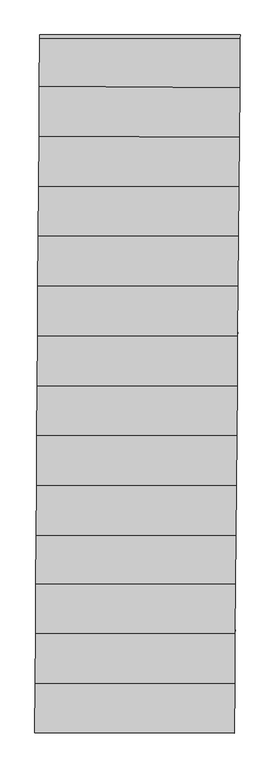
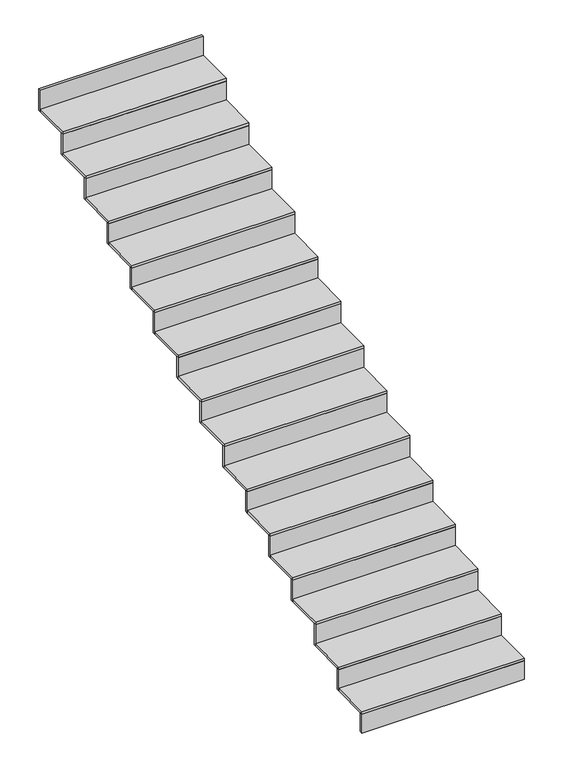
"""IFC4 building model written with IfcOpenShell, lengths in millimetres: stair flight geometry."""

from ifc_helpers import new_model, si_unit, frame, origin, place, context, project, spatial, polyline, outline, extrude, source, transform, mapped, element, save


def stair_flight_e6d34974(model_context):
    return source(origin(), model_context, "Body", "SweptSolid", [
        extrude(outline(polyline([(-113826.5930515, 62889.1022043), (-112624.4548151, 62884.5676774), (-112626.9361486, 62588.510136), (-113828.6643308, 62589.1352331), (-113826.5930515, 62889.1022043)])), frame((0.0, 0.0, -2348.9802587), z_axis=(0.0, 0.0, 1.0), x_axis=(1.0, 0.0, 0.0)), (0.0, 0.0, 1.0), 20.0),
        extrude(outline(polyline([(-112626.7685243, 62608.5100515), (-112626.9361486, 62588.510136), (-113828.6643308, 62589.1352331), (-113828.5262308, 62609.1351639), (-112626.7685243, 62608.5100515)])), frame((0.0, 0.0, -2496.5), z_axis=(0.0, 0.0, 1.0), x_axis=(1.0, 0.0, 0.0)), (0.0, 0.0, 1.0), 147.5197413),
        extrude(outline(polyline([(-112624.2871941, 62904.5671875), (-112624.4548151, 62884.5676774), (-113826.5930515, 62889.1022043), (-113826.4549536, 62909.1018257), (-112624.2871941, 62904.5671875)])), frame((0.0, 0.0, -2348.9802587), z_axis=(0.0, 0.0, 1.0), x_axis=(1.0, 0.0, 0.0)), (0.0, 0.0, 1.0), 167.5197413),
        extrude(outline(polyline([(-113824.5220632, 63189.0270224), (-112621.9030639, 63189.0270224), (-112624.4548151, 62884.5676774), (-113826.5930515, 62889.1022043), (-113824.5220632, 63189.0270224)])), frame((0.0, 0.0, -2181.4605175), z_axis=(0.0, 0.0, 1.0), x_axis=(1.0, 0.0, 0.0)), (0.0, 0.0, 1.0), 20.0),
        extrude(outline(polyline([(-112621.7354389, 63209.0270224), (-112621.9030639, 63189.0270224), (-113824.5220632, 63189.0270224), (-113824.3839627, 63209.0270224), (-112621.7354389, 63209.0270224)])), frame((0.0, 0.0, -2181.4605175), z_axis=(0.0, 0.0, 1.0), x_axis=(1.0, 0.0, 0.0)), (0.0, 0.0, 1.0), 167.5197413),
        extrude(outline(polyline([(-113822.4606962, 63487.5584762), (-112619.4009959, 63487.5584762), (-112621.9030639, 63189.0270224), (-113824.5220632, 63189.0270224), (-113822.4606962, 63487.5584762)])), frame((0.0, 0.0, -2013.9407762), z_axis=(0.0, 0.0, 1.0), x_axis=(1.0, 0.0, 0.0)), (0.0, 0.0, 1.0), 20.0),
        extrude(outline(polyline([(-112619.2333708, 63507.5584762), (-112619.4009959, 63487.5584762), (-113822.4606962, 63487.5584762), (-113822.3225957, 63507.5584762), (-112619.2333708, 63507.5584762)])), frame((0.0, 0.0, -2013.9407762), z_axis=(0.0, 0.0, 1.0), x_axis=(1.0, 0.0, 0.0)), (0.0, 0.0, 1.0), 167.5197413),
        extrude(outline(polyline([(-113820.4490375, 63778.8910672), (-112616.9592634, 63778.8910672), (-112619.4009959, 63487.5584762), (-113822.4606962, 63487.5584762), (-113820.4490375, 63778.8910672)])), frame((0.0, 0.0, -1846.421035), z_axis=(0.0, 0.0, 1.0), x_axis=(1.0, 0.0, 0.0)), (0.0, 0.0, 1.0), 20.0),
        extrude(outline(polyline([(-112616.7916383, 63798.8910672), (-112616.9592634, 63778.8910672), (-113820.4490375, 63778.8910672), (-113820.310937, 63798.8910672), (-112616.7916383, 63798.8910672)])), frame((0.0, 0.0, -1846.421035), z_axis=(0.0, 0.0, 1.0), x_axis=(1.0, 0.0, 0.0)), (0.0, 0.0, 1.0), 167.5197413),
        extrude(outline(polyline([(-113818.3775301, 64078.8910672), (-112614.4448871, 64078.8910672), (-112616.9592634, 63778.8910672), (-113820.4490375, 63778.8910672), (-113818.3775301, 64078.8910672)])), frame((0.0, 0.0, -1678.9012937), z_axis=(0.0, 0.0, 1.0), x_axis=(1.0, 0.0, 0.0)), (0.0, 0.0, 1.0), 20.0),
        extrude(outline(polyline([(-112614.277262, 64098.8910672), (-112614.4448871, 64078.8910672), (-113818.3775301, 64078.8910672), (-113818.2394296, 64098.8910672), (-112614.277262, 64098.8910672)])), frame((0.0, 0.0, -1678.9012937), z_axis=(0.0, 0.0, 1.0), x_axis=(1.0, 0.0, 0.0)), (0.0, 0.0, 1.0), 167.5197413),
        extrude(outline(polyline([(-113816.3060227, 64378.8910672), (-112611.9305109, 64378.8910672), (-112614.4448871, 64078.8910672), (-113818.3775301, 64078.8910672), (-113816.3060227, 64378.8910672)])), frame((0.0, 0.0, -1511.3815524), z_axis=(0.0, 0.0, 1.0), x_axis=(1.0, 0.0, 0.0)), (0.0, 0.0, 1.0), 20.0),
        extrude(outline(polyline([(-112611.7628858, 64398.8910672), (-112611.9305109, 64378.8910672), (-113816.3060227, 64378.8910672), (-113816.1679222, 64398.8910672), (-112611.7628858, 64398.8910672)])), frame((0.0, 0.0, -1511.3815524), z_axis=(0.0, 0.0, 1.0), x_axis=(1.0, 0.0, 0.0)), (0.0, 0.0, 1.0), 167.5197413),
        extrude(outline(polyline([(-113814.2345153, 64678.8910672), (-112609.4161346, 64678.8910672), (-112611.9305109, 64378.8910672), (-113816.3060227, 64378.8910672), (-113814.2345153, 64678.8910672)])), frame((0.0, 0.0, -1343.8618112), z_axis=(0.0, 0.0, 1.0), x_axis=(1.0, 0.0, 0.0)), (0.0, 0.0, 1.0), 20.0),
        extrude(outline(polyline([(-112609.2485095, 64698.8910672), (-112609.4161346, 64678.8910672), (-113814.2345153, 64678.8910672), (-113814.0964148, 64698.8910672), (-112609.2485095, 64698.8910672)])), frame((0.0, 0.0, -1343.8618112), z_axis=(0.0, 0.0, 1.0), x_axis=(1.0, 0.0, 0.0)), (0.0, 0.0, 1.0), 167.5197413),
        extrude(outline(polyline([(-113812.1630079, 64978.8910672), (-112606.9017583, 64978.8910672), (-112609.4161346, 64678.8910672), (-113814.2345153, 64678.8910672), (-113812.1630079, 64978.8910672)])), frame((0.0, 0.0, -1176.3420699), z_axis=(0.0, 0.0, 1.0), x_axis=(1.0, 0.0, 0.0)), (0.0, 0.0, 1.0), 20.0),
        extrude(outline(polyline([(-112606.7341332, 64998.8910672), (-112606.9017583, 64978.8910672), (-113812.1630079, 64978.8910672), (-113812.0249074, 64998.8910672), (-112606.7341332, 64998.8910672)])), frame((0.0, 0.0, -1176.3420699), z_axis=(0.0, 0.0, 1.0), x_axis=(1.0, 0.0, 0.0)), (0.0, 0.0, 1.0), 167.5197413),
        extrude(outline(polyline([(-113810.0915005, 65278.8910672), (-112604.387382, 65278.8910672), (-112606.9017583, 64978.8910672), (-113812.1630079, 64978.8910672), (-113810.0915005, 65278.8910672)])), frame((0.0, 0.0, -1008.8223286), z_axis=(0.0, 0.0, 1.0), x_axis=(1.0, 0.0, 0.0)), (0.0, 0.0, 1.0), 20.0),
        extrude(outline(polyline([(-112604.2197569, 65298.8910672), (-112604.387382, 65278.8910672), (-113810.0915005, 65278.8910672), (-113809.9534, 65298.8910672), (-112604.2197569, 65298.8910672)])), frame((0.0, 0.0, -1008.8223286), z_axis=(0.0, 0.0, 1.0), x_axis=(1.0, 0.0, 0.0)), (0.0, 0.0, 1.0), 167.5197413),
        extrude(outline(polyline([(-113808.0199931, 65578.8910672), (-112601.8730058, 65578.8910672), (-112604.387382, 65278.8910672), (-113810.0915005, 65278.8910672), (-113808.0199931, 65578.8910672)])), frame((0.0, 0.0, -841.3025874), z_axis=(0.0, 0.0, 1.0), x_axis=(1.0, 0.0, 0.0)), (0.0, 0.0, 1.0), 20.0),
        extrude(outline(polyline([(-112601.7053807, 65598.8910672), (-112601.8730058, 65578.8910672), (-113808.0199931, 65578.8910672), (-113807.8818926, 65598.8910672), (-112601.7053807, 65598.8910672)])), frame((0.0, 0.0, -841.3025874), z_axis=(0.0, 0.0, 1.0), x_axis=(1.0, 0.0, 0.0)), (0.0, 0.0, 1.0), 167.5197413),
        extrude(outline(polyline([(-113805.9485456, 65878.8823925), (-112599.3587022, 65878.8823925), (-112601.8730058, 65578.8910672), (-113808.0199931, 65578.8910672), (-113805.9485456, 65878.8823925)])), frame((0.0, 0.0, -673.7828461), z_axis=(0.0, 0.0, 1.0), x_axis=(1.0, 0.0, 0.0)), (0.0, 0.0, 1.0), 20.0),
        extrude(outline(polyline([(-112599.1910771, 65898.8823925), (-112599.3587022, 65878.8823925), (-113805.9485456, 65878.8823925), (-113805.8104451, 65898.8823925), (-112599.1910771, 65898.8823925)])), frame((0.0, 0.0, -673.7828461), z_axis=(0.0, 0.0, 1.0), x_axis=(1.0, 0.0, 0.0)), (0.0, 0.0, 1.0), 167.5197413),
        extrude(outline(polyline([(-113803.8765231, 66178.9569816), (-112596.8958672, 66172.7327987), (-112599.3587022, 65878.8823925), (-113805.9485456, 65878.8823925), (-113803.8765231, 66178.9569816)])), frame((0.0, 0.0, -506.2631049), z_axis=(0.0, 0.0, 1.0), x_axis=(1.0, 0.0, 0.0)), (0.0, 0.0, 1.0), 20.0),
        extrude(outline(polyline([(-112596.7282471, 66192.7322003), (-112596.8958672, 66172.7327987), (-113803.8765231, 66178.9569816), (-113803.7384257, 66198.9565354), (-112596.7282471, 66192.7322003)])), frame((0.0, 0.0, -506.2631049), z_axis=(0.0, 0.0, 1.0), x_axis=(1.0, 0.0, 0.0)), (0.0, 0.0, 1.0), 167.5197413),
        extrude(outline(polyline([(-113801.8047917, 66478.989428), (-112594.4060099, 66469.8073451), (-112596.8958672, 66172.7327987), (-113803.8765231, 66178.9569816), (-113801.8047917, 66478.989428)])), frame((0.0, 0.0, -338.7433636), z_axis=(0.0, 0.0, 1.0), x_axis=(1.0, 0.0, 0.0)), (0.0, 0.0, 1.0), 20.0),
        extrude(outline(polyline([(-112594.2383907, 66489.8066487), (-112594.4060099, 66469.8073451), (-113801.8047917, 66478.989428), (-113801.6666945, 66498.9889561), (-112594.2383907, 66489.8066487)])), frame((0.0, 0.0, -338.7433636), z_axis=(0.0, 0.0, 1.0), x_axis=(1.0, 0.0, 0.0)), (0.0, 0.0, 1.0), 167.5197413),
        extrude(outline(polyline([(-112591.7353168, 66788.4581196), (-112591.9029418, 66768.4581196), (-113799.8060032, 66768.4581196), (-113799.6679027, 66788.4581196), (-112591.7353168, 66788.4581196)])), frame((0.0, 0.0, -171.2236223), z_axis=(0.0, 0.0, 1.0), x_axis=(1.0, 0.0, 0.0)), (0.0, 0.0, 1.0), 167.5197413),
        extrude(outline(polyline([(-113799.8060032, 66768.4581196), (-112591.9029418, 66768.4581196), (-112594.4060099, 66469.8073451), (-113801.8047917, 66478.989428), (-113799.8060032, 66768.4581196)])), frame((0.0, 0.0, -171.2236223), z_axis=(0.0, 0.0, 1.0), x_axis=(1.0, 0.0, 0.0)), (0.0, 0.0, 1.0), 20.0),
    ])


if __name__ == "__main__":
    model = new_model("IFC4")
    model_context = context("Model", 3, world=origin())
    ifc_project = project(units=[si_unit("LENGTHUNIT", "METRE", prefix="MILLI")], contexts=[model_context])
    site = spatial("IfcSite", under=ifc_project)
    building = spatial("IfcBuilding", under=site)
    placement = place(None, origin())
    stair_flight_shape = stair_flight_e6d34974(model_context)
    element("IfcStairFlight", 1, at=placement, inside=building, context=model_context, shape_type="MappedRepresentation", body=[
        mapped(stair_flight_shape, transform((0.0, 0.0, 0.0), x_axis=(1.0, 0.0, 0.0), y_axis=(0.0, 1.0, 0.0), z_axis=(0.0, 0.0, 1.0))),
    ])
    save(model, "model.ifc")
